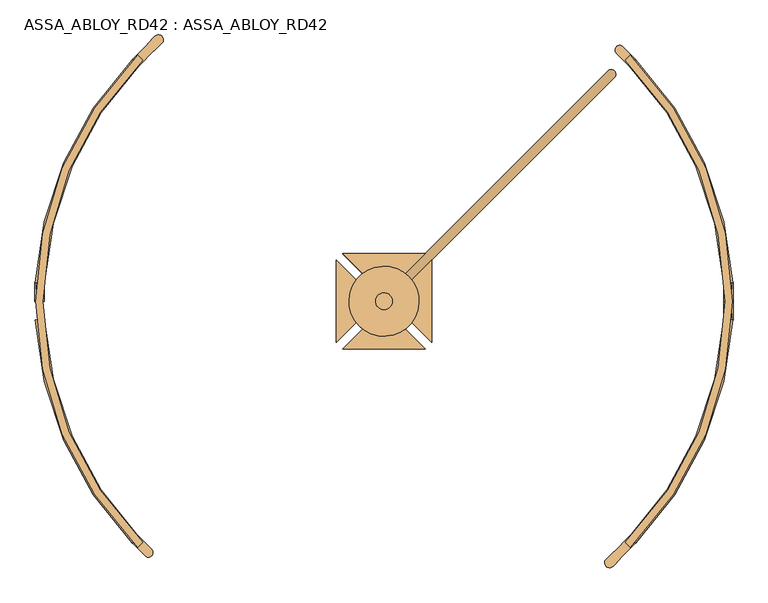
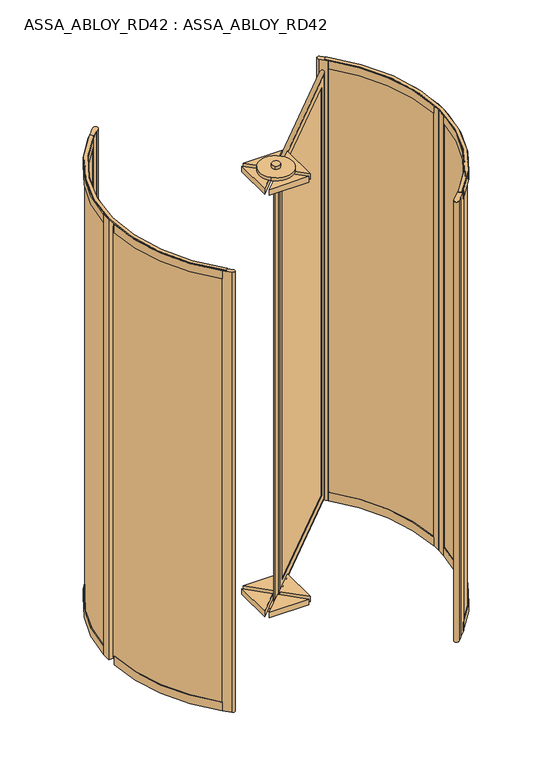
"""IFC4 building model written with IfcOpenShell, lengths in millimetres: door geometry, ASSA_ABLOY_RD42 : ASSA_ABLOY_RD42."""

from ifc_helpers import new_model, si_unit, point, frame, frame_2d, origin, origin_with_axes, place, context, project, spatial, polyline, circle_curve, ellipse_curve, trimmed, segment, composite_curve, outline, extrude, source, transform, mapped, element, save
from ifc_brep_helpers import plane_surface, cylinder_surface, revolved_surface, advanced_brep


def assa_abloy_rd42_assa_abloy_rd42_754d8c71(model_context):
    return source(origin(), model_context, "Body", "SolidModel", [
        advanced_brep(
        [(744.4255403, 605.2834047, 105.0), (746.5468607, 603.1620844, 105.0), (746.5468607, 603.1620844, 2673.0), (744.4255403, 605.2834047, 2673.0), (744.4255403, 633.5676759, 85.0), (758.5676759, 619.4255403, 85.0), (758.5676759, 619.4255403, 2693.0), (744.4255403, 633.5676759, 2693.0), (728.1620844, 621.5468607, 105.0), (730.2834047, 619.4255403, 105.0), (730.2834047, 619.4255403, 2673.0), (728.1620844, 621.5468607, 2673.0), (783.3164133, 639.931637, 53.0), (764.931637, 658.3164133, 53.0), (764.931637, 658.3164133, 2725.0), (783.3164133, 639.931637, 2725.0), (191.4680374, 48.0832611, 2673.0), (189.3467171, 50.2045815, 2673.0), (175.2045815, 36.0624458, 2693.0), (161.0624458, 50.2045815, 2693.0), (175.2045815, 64.3467171, 2673.0), (173.0832611, 66.4680374, 2673.0), (136.3137085, 29.6984848, 2725.0), (154.6984848, 11.3137085, 2725.0), (191.4680374, 48.0832611, 105.0), (189.3467171, 50.2045815, 105.0), (175.2045815, 36.0624458, 85.0), (161.0624458, 50.2045815, 85.0), (175.2045815, 64.3467171, 105.0), (173.0832611, 66.4680374, 105.0), (136.3137085, 29.6984848, 53.0), (154.6984848, 11.3137085, 53.0)],
        [
            (0, 1),
            (1, 2),
            (2, 3),
            (3, 0),
            (4, 5),
            (5, 6),
            (6, 7),
            (7, 4),
            (8, 9),
            (9, 10),
            (10, 11),
            (11, 8),
            (12, 13, ellipse_curve(frame((774.1240251, 649.1240251, 53.0), z_axis=(0.5000000000000073, 0.4999999999999926, 0.7071067811865475), x_axis=(0.4999999999999934, 0.5000000000000063, -0.7071067811865476)), 18.3847763, 13.0)),
            (13, 14),
            (14, 15, ellipse_curve(frame((774.1240251, 649.1240251, 2725.0), z_axis=(0.49999999999999345, 0.5000000000000064, -0.7071067811865475), x_axis=(-0.5000000000000072, -0.4999999999999925, -0.7071067811865476)), 18.3847763, 13.0)),
            (15, 12),
            (2, 16),
            (16, 17),
            (17, 3),
            (6, 18),
            (18, 19),
            (19, 7),
            (10, 20),
            (20, 21),
            (21, 11),
            (14, 22),
            (22, 23, ellipse_curve(frame((145.5060967, 20.5060967, 2725.0), z_axis=(0.5000000000000073, 0.4999999999999926, 0.7071067811865475), x_axis=(0.4999999999999936, 0.5000000000000066, -0.7071067811865475)), 18.3847763, 13.0)),
            (23, 15),
            (16, 24),
            (24, 25),
            (25, 17),
            (18, 26),
            (26, 27),
            (27, 19),
            (20, 28),
            (28, 29),
            (29, 21),
            (22, 30),
            (30, 31, ellipse_curve(frame((145.5060967, 20.5060967, 53.0), z_axis=(-0.49999999999999345, -0.5000000000000064, 0.7071067811865475), x_axis=(0.5000000000000072, 0.4999999999999925, 0.7071067811865476)), 18.3847763, 13.0)),
            (31, 23),
            (24, 1),
            (0, 25),
            (5, 26),
            (4, 27),
            (9, 28),
            (8, 29),
            (13, 30),
            (12, 31),
        ],
        [
            plane_surface(frame((746.5468607, 603.1620844, 105.0), z_axis=(-0.7071067811865499, -0.7071067811865451, 0.0), x_axis=(0.0, 0.0, 1.0))),
            plane_surface(frame((758.5676759, 619.4255403, 85.0), z_axis=(-0.7071067811865483, -0.7071067811865467, 0.0), x_axis=(0.0, 0.0, 1.0))),
            plane_surface(frame((730.2834047, 619.4255403, 105.0), z_axis=(-0.7071067811865499, -0.7071067811865451, 0.0), x_axis=(0.0, 0.0, 1.0))),
            cylinder_surface(frame((774.1240251, 649.1240251, 40.0), z_axis=(0.0, 0.0, -1.0), x_axis=(-0.7071067811865481, -0.7071067811865469, 0.0)), 13.0),
            plane_surface(frame((746.5468607, 603.1620844, 2673.0), z_axis=(0.0, 0.0, -1.0), x_axis=(-0.7071067811865481, -0.7071067811865469, 0.0))),
            plane_surface(frame((758.5676759, 619.4255403, 2693.0), z_axis=(0.0, 0.0, -1.0), x_axis=(-0.7071067811865481, -0.7071067811865469, 0.0))),
            plane_surface(frame((730.2834047, 619.4255403, 2673.0), z_axis=(0.0, 0.0, -1.0), x_axis=(-0.7071067811865481, -0.7071067811865469, 0.0))),
            cylinder_surface(frame((783.3164133, 658.3164133, 2725.0), z_axis=(0.7071067811865481, 0.7071067811865469, 0.0), x_axis=(0.0, 0.0, -1.0)), 13.0),
            plane_surface(frame((191.4680374, 48.0832611, 2673.0), z_axis=(0.7071067811865464, 0.7071067811865487, 0.0), x_axis=(0.0, 0.0, -1.0))),
            plane_surface(frame((175.2045815, 36.0624458, 2693.0), z_axis=(0.7071067811865479, 0.7071067811865471, 0.0), x_axis=(0.0, 0.0, -1.0))),
            plane_surface(frame((175.2045815, 64.3467171, 2673.0), z_axis=(0.7071067811865464, 0.7071067811865487, 0.0), x_axis=(0.0, 0.0, -1.0))),
            cylinder_surface(frame((145.5060967, 20.5060967, 2738.0), z_axis=(0.0, 0.0, 1.0), x_axis=(0.7071067811865481, 0.7071067811865469, 0.0)), 13.0),
            plane_surface(frame((191.4680374, 48.0832611, 105.0), z_axis=(0.0, 0.0, 1.0), x_axis=(0.7071067811865481, 0.7071067811865469, 0.0))),
            plane_surface(frame((189.3467171, 50.2045815, 105.0), z_axis=(-0.7071067811865469, 0.7071067811865481, 0.0), x_axis=(0.7071067811865481, 0.7071067811865469, 0.0))),
            plane_surface(frame((175.2045815, 36.0624458, 85.0), z_axis=(0.0, 0.0, 1.0), x_axis=(0.7071067811865481, 0.7071067811865469, 0.0))),
            plane_surface(frame((161.0624458, 50.2045815, 85.0), z_axis=(0.7071067811865469, -0.7071067811865481, 0.0), x_axis=(0.7071067811865481, 0.7071067811865469, 0.0))),
            plane_surface(frame((175.2045815, 64.3467171, 105.0), z_axis=(0.0, 0.0, 1.0), x_axis=(0.7071067811865481, 0.7071067811865469, 0.0))),
            plane_surface(frame((173.0832611, 66.4680374, 105.0), z_axis=(-0.7071067811865469, 0.7071067811865481, 0.0), x_axis=(0.7071067811865481, 0.7071067811865469, 0.0))),
            cylinder_surface(frame((136.3137085, 11.3137085, 53.0), z_axis=(-0.7071067811865481, -0.7071067811865469, 0.0), x_axis=(0.0, 0.0, 1.0)), 13.0),
            plane_surface(frame((154.6984848, 11.3137085, 53.0), z_axis=(0.7071067811865469, -0.7071067811865481, 0.0), x_axis=(0.7071067811865481, 0.7071067811865469, 0.0))),
        ],
        [
            (0, [[1, 2, 3, 4]]),
            (1, [[5, 6, 7, 8]]),
            (2, [[9, 10, 11, 12]]),
            (3, [[13, 14, 15, 16]]),
            (4, [[-3, 17, 18, 19]]),
            (5, [[-7, 20, 21, 22]]),
            (6, [[-11, 23, 24, 25]]),
            (7, [[-15, 26, 27, 28]]),
            (8, [[-18, 29, 30, 31]]),
            (9, [[-21, 32, 33, 34]]),
            (10, [[-24, 35, 36, 37]]),
            (11, [[-27, 38, 39, 40]]),
            (12, [[-30, 41, -1, 42]]),
            (13, [[43, -32, -20, -6], [-19, -31, -42, -4]]),
            (14, [[-33, -43, -5, 44]]),
            (15, [[-22, -34, -44, -8], [45, -35, -23, -10]]),
            (16, [[-36, -45, -9, 46]]),
            (17, [[47, -38, -26, -14], [-25, -37, -46, -12]]),
            (18, [[-39, -47, -13, 48]]),
            (19, [[-28, -40, -48, -16], [-41, -29, -17, -2]]),
        ],
    ),
        extrude(outline(polyline([(747.9610742, 630.032142), (755.032142, 622.9610742), (171.6690476, 39.5979797), (164.5979797, 46.6690476), (747.9610742, 630.032142)])), frame((0.0, 0.0, 85.0), z_axis=(0.0, 0.0, 1.0), x_axis=(1.0, 0.0, 0.0)), (0.0, 0.0, 1.0), 2608.0),
        extrude(outline(composite_curve([segment(trimmed(circle_curve(frame_2d((125.0, 0.0)), 24.0), [point((108.0294373, -16.9705627))], [point((141.9705627, 16.9705627))], False, "CARTESIAN"), True, "CONTINUOUS"), segment(trimmed(circle_curve(frame_2d((125.0, 0.0)), 24.0), [point((141.9705627, 16.9705627))], [point((108.0294373, -16.9705627))], False, "CARTESIAN"), True, "CONTINUOUS")], self_intersect=False)), origin_with_axes(), (0.0, 0.0, 1.0), 20.0),
        extrude(outline(composite_curve([segment(trimmed(circle_curve(frame_2d((125.0, 0.0)), 100.0), [point((54.2893219, -70.7106781))], [point((195.7106781, 70.7106781))], False, "CARTESIAN"), True, "CONTINUOUS"), segment(trimmed(circle_curve(frame_2d((125.0, 0.0)), 100.0), [point((195.7106781, 70.7106781))], [point((54.2893219, -70.7106781))], False, "CARTESIAN"), True, "CONTINUOUS")], self_intersect=False)), frame((0.0, 0.0, 20.0), z_axis=(0.0, 0.0, 1.0), x_axis=(1.0, 0.0, 0.0)), (0.0, 0.0, 1.0), 20.0),
        extrude(outline(composite_curve([segment(trimmed(circle_curve(frame_2d((125.0, 0.0)), 24.0), [point((141.9705627, 16.9705627))], [point((108.0294373, -16.9705627))], False, "CARTESIAN"), True, "CONTINUOUS"), segment(trimmed(circle_curve(frame_2d((125.0, 0.0)), 24.0), [point((108.0294373, -16.9705627))], [point((141.9705627, 16.9705627))], False, "CARTESIAN"), True, "CONTINUOUS")], self_intersect=False)), frame((0.0, 0.0, 2758.0), z_axis=(0.0, 0.0, 1.0), x_axis=(1.0, 0.0, 0.0)), (0.0, 0.0, 1.0), 20.0),
        extrude(outline(composite_curve([segment(trimmed(circle_curve(frame_2d((125.0, 0.0)), 100.0), [point((195.7106781, 70.7106781))], [point((54.2893219, -70.7106781))], False, "CARTESIAN"), True, "CONTINUOUS"), segment(trimmed(circle_curve(frame_2d((125.0, 0.0)), 100.0), [point((54.2893219, -70.7106781))], [point((195.7106781, 70.7106781))], False, "CARTESIAN"), True, "CONTINUOUS")], self_intersect=False)), frame((0.0, 0.0, 2738.0), z_axis=(0.0, 0.0, 1.0), x_axis=(1.0, 0.0, 0.0)), (0.0, 0.0, 1.0), 20.0),
        extrude(outline(composite_curve([segment(trimmed(circle_curve(frame_2d((125.0, 0.0)), 12.5), [point((116.1611652, -8.8388348))], [point((133.8388348, 8.8388348))], False, "CARTESIAN"), True, "CONTINUOUS"), segment(trimmed(circle_curve(frame_2d((125.0, 0.0)), 12.5), [point((133.8388348, 8.8388348))], [point((116.1611652, -8.8388348))], False, "CARTESIAN"), True, "CONTINUOUS")], self_intersect=False)), origin_with_axes(), (0.0, 0.0, 1.0), 2723.0),
        extrude(outline(polyline([(-11.0, 117.6152237), (106.6152237, 0.0), (-11.0, -117.6152237), (-11.0, 117.6152237)])), frame((0.0, 0.0, 2703.0), z_axis=(0.0, 0.0, 1.0), x_axis=(1.0, 0.0, 0.0)), (0.0, 0.0, 1.0), 35.0),
        extrude(outline(polyline([(7.3847763, -136.0), (125.0, -18.3847763), (242.6152237, -136.0), (7.3847763, -136.0)])), frame((0.0, 0.0, 2703.0), z_axis=(0.0, 0.0, 1.0), x_axis=(1.0, 0.0, 0.0)), (0.0, 0.0, 1.0), 35.0),
        extrude(outline(polyline([(261.0, -117.6152237), (143.3847763, 0.0), (261.0, 117.6152237), (261.0, -117.6152237)])), frame((0.0, 0.0, 2703.0), z_axis=(0.0, 0.0, 1.0), x_axis=(1.0, 0.0, 0.0)), (0.0, 0.0, 1.0), 35.0),
        extrude(outline(polyline([(242.6152237, 136.0), (125.0, 18.3847763), (7.3847763, 136.0), (242.6152237, 136.0)])), frame((0.0, 0.0, 2703.0), z_axis=(0.0, 0.0, 1.0), x_axis=(1.0, 0.0, 0.0)), (0.0, 0.0, 1.0), 35.0),
        extrude(outline(polyline([(-11.0, 117.6152237), (106.6152237, 0.0), (-11.0, -117.6152237), (-11.0, 117.6152237)])), frame((0.0, 0.0, 40.0), z_axis=(0.0, 0.0, 1.0), x_axis=(1.0, 0.0, 0.0)), (0.0, 0.0, 1.0), 35.0),
        extrude(outline(polyline([(7.3847763, -136.0), (125.0, -18.3847763), (242.6152237, -136.0), (7.3847763, -136.0)])), frame((0.0, 0.0, 40.0), z_axis=(0.0, 0.0, 1.0), x_axis=(1.0, 0.0, 0.0)), (0.0, 0.0, 1.0), 35.0),
        extrude(outline(polyline([(261.0, -117.6152237), (143.3847763, 0.0), (261.0, 117.6152237), (261.0, -117.6152237)])), frame((0.0, 0.0, 40.0), z_axis=(0.0, 0.0, 1.0), x_axis=(1.0, 0.0, 0.0)), (0.0, 0.0, 1.0), 35.0),
        extrude(outline(polyline([(242.6152237, 136.0), (125.0, 18.3847763), (7.3847763, 136.0), (242.6152237, 136.0)])), frame((0.0, 0.0, 40.0), z_axis=(0.0, 0.0, 1.0), x_axis=(1.0, 0.0, 0.0)), (0.0, 0.0, 1.0), 35.0),
        extrude(outline(composite_curve([segment(trimmed(circle_curve(frame_2d((125.0, 0.0)), 974.0), [point((-563.7220049, 688.7220049))], [point((-563.7220049, -688.7220049))], True, "CARTESIAN"), True, "CONTINUOUS"), segment(polyline([(-563.7220049, -688.7220049), (-577.8641405, -702.8641405)]), True, "CONTINUOUS"), segment(trimmed(circle_curve(frame_2d((125.0, 0.0)), 994.0), [point((-577.8641405, -702.8641405))], [point((-577.8641405, 702.8641405))], False, "CARTESIAN"), True, "CONTINUOUS"), segment(polyline([(-577.8641405, 702.8641405), (-563.7220049, 688.7220049)]), True, "CONTINUOUS")], self_intersect=False)), frame((0.0, 0.0, 2773.0), z_axis=(0.0, 0.0, 1.0), x_axis=(1.0, 0.0, 0.0)), (0.0, 0.0, 1.0), 5.0),
        extrude(outline(composite_curve([segment(trimmed(circle_curve(frame_2d((125.0, 0.0)), 994.0), [point((827.8641405, 702.8641405))], [point((827.8641405, -702.8641405))], False, "CARTESIAN"), True, "CONTINUOUS"), segment(polyline([(827.8641405, -702.8641405), (813.7220049, -688.7220049)]), True, "CONTINUOUS"), segment(trimmed(circle_curve(frame_2d((125.0, 0.0)), 974.0), [point((813.7220049, -688.7220049))], [point((813.7220049, 688.7220049))], True, "CARTESIAN"), True, "CONTINUOUS"), segment(polyline([(813.7220049, 688.7220049), (827.8641405, 702.8641405)]), True, "CONTINUOUS")], self_intersect=False)), frame((0.0, 0.0, 2773.0), z_axis=(0.0, 0.0, 1.0), x_axis=(1.0, 0.0, 0.0)), (0.0, 0.0, 1.0), 5.0),
        extrude(outline(composite_curve([segment(trimmed(circle_curve(frame_2d((125.0, 0.0)), 989.0), [point((824.3286066, 699.3286066))], [point((1113.4436781, 33.1676829))], False, "CARTESIAN"), True, "CONTINUOUS"), segment(polyline([(1113.4436781, 33.1676829), (1103.4493032, 32.8323171)]), True, "CONTINUOUS"), segment(trimmed(circle_curve(frame_2d((125.0, 0.0)), 979.0), [point((1103.4493032, 32.8323171))], [point((817.2575388, 692.2575388))], True, "CARTESIAN"), True, "CONTINUOUS"), segment(polyline([(817.2575388, 692.2575388), (824.3286066, 699.3286066)]), True, "CONTINUOUS")], self_intersect=False)), frame((0.0, 0.0, 33.0), z_axis=(0.0, 0.0, 1.0), x_axis=(1.0, 0.0, 0.0)), (0.0, 0.0, 1.0), 2715.0),
        extrude(outline(composite_curve([segment(trimmed(circle_curve(frame_2d((125.0, 0.0)), 989.0), [point((1113.4436781, -33.1676829))], [point((824.3286066, -699.3286066))], False, "CARTESIAN"), True, "CONTINUOUS"), segment(polyline([(824.3286066, -699.3286066), (817.2575388, -692.2575388)]), True, "CONTINUOUS"), segment(trimmed(circle_curve(frame_2d((125.0, 0.0)), 979.0), [point((817.2575388, -692.2575388))], [point((1103.4493032, -32.8323171))], True, "CARTESIAN"), True, "CONTINUOUS"), segment(polyline([(1103.4493032, -32.8323171), (1113.4436781, -33.1676829)]), True, "CONTINUOUS")], self_intersect=False)), frame((0.0, 0.0, 33.0), z_axis=(0.0, 0.0, 1.0), x_axis=(1.0, 0.0, 0.0)), (0.0, 0.0, 1.0), 2715.0),
        extrude(outline(composite_curve([segment(polyline([(827.863883, -702.863883), (842.0060186, -688.7217474), (844.1270815, -690.8428103), (799.5793543, -735.3905375), (800.2864632, -736.0976464), (779.0719672, -757.3121425)]), True, "CONTINUOUS"), segment(trimmed(circle_curve(frame_2d((769.1727276, -747.4129028)), 13.9996389), [point((779.0719672, -757.3121425))], [point((759.273488, -737.5136632))], False, "CARTESIAN"), True, "CONTINUOUS"), segment(polyline([(759.273488, -737.5136632), (780.487984, -716.2991672), (781.1950929, -717.0062761), (825.7428202, -672.4585489), (827.863883, -674.5796118), (813.7217474, -688.7217474), (827.863883, -702.863883)]), True, "CONTINUOUS")], self_intersect=False)), origin_with_axes(), (0.0, 0.0, 1.0), 2773.0),
        extrude(outline(composite_curve([segment(polyline([(827.863883, 702.863883), (813.7217474, 688.7217474), (827.863883, 674.5796118), (825.7428202, 672.4585489), (788.9730099, 709.2283592)]), True, "CONTINUOUS"), segment(trimmed(circle_curve(frame_2d((798.1651406, 718.4204898)), 12.9996359), [point((788.9730099, 709.2283592))], [point((807.3572713, 727.6126205))], False, "CARTESIAN"), True, "CONTINUOUS"), segment(polyline([(807.3572713, 727.6126205), (844.1270815, 690.8428103), (842.0060186, 688.7217474), (827.863883, 702.863883)]), True, "CONTINUOUS")], self_intersect=False)), origin_with_axes(), (0.0, 0.0, 1.0), 2773.0),
        advanced_brep(
        [(825.2358565, 672.6891892, 0.0), (825.2358565, 672.6891892, 53.0), (827.3993041, 674.7675286, 53.0), (827.3993041, 674.7675286, 33.0), (841.8222877, 688.6231246, 33.0), (841.8222877, 688.6231246, 53.0), (843.9857353, 690.701464, 53.0), (843.9857353, 690.701464, 0.0), (1094.6270403, 51.6178536, 0.0), (1120.5902772, 53.0, 0.0), (1120.5902772, 53.0, 53.0), (1117.5945191, 52.8405216, 53.0), (1117.5945191, 52.8405216, 33.0), (1097.6227984, 51.777332, 33.0), (1097.6227984, 51.777332, 53.0), (1094.6270403, 51.6178536, 53.0)],
        [
            (0, 1),
            (1, 2),
            (2, 3),
            (3, 4),
            (4, 5),
            (5, 6),
            (6, 7),
            (7, 0),
            (8, 9),
            (9, 10),
            (10, 11),
            (11, 12),
            (12, 13),
            (13, 14),
            (14, 15),
            (15, 8),
            (15, 1, circle_curve(frame((125.0, 0.0, 53.0), z_axis=(0.0, 0.0, 1.0), x_axis=(0.7211491828452432, 0.6927798034596837, 0.0)), 971.0)),
            (0, 8, circle_curve(frame((125.0, 0.0, 0.0), z_axis=(0.0, 0.0, -1.0), x_axis=(0.7211491828452432, 0.6927798034596837, 0.0)), 971.0)),
            (14, 2, circle_curve(frame((125.0, 0.0, 53.0), z_axis=(0.0, 0.0, 1.0), x_axis=(0.7211491828452432, 0.6927798034596837, 0.0)), 974.0)),
            (13, 3, circle_curve(frame((125.0, 0.0, 33.0), z_axis=(0.0, 0.0, 1.0), x_axis=(0.7211491828452432, 0.6927798034596837, 0.0)), 974.0)),
            (12, 4, circle_curve(frame((125.0, 0.0, 33.0), z_axis=(0.0, 0.0, 1.0), x_axis=(0.7211491828452432, 0.6927798034596837, 0.0)), 994.0)),
            (11, 5, circle_curve(frame((125.0, 0.0, 53.0), z_axis=(0.0, 0.0, 1.0), x_axis=(0.7211491828452432, 0.6927798034596837, 0.0)), 994.0)),
            (10, 6, circle_curve(frame((125.0, 0.0, 53.0), z_axis=(0.0, 0.0, 1.0), x_axis=(0.7211491828452432, 0.6927798034596837, 0.0)), 997.0)),
            (9, 7, circle_curve(frame((125.0, 0.0, 0.0), z_axis=(0.0, 0.0, 1.0), x_axis=(0.7211491828452432, 0.6927798034596837, 0.0)), 997.0)),
        ],
        [
            plane_surface(frame((843.9857353, 690.701464, 0.0), z_axis=(-0.6927798034596837, 0.7211491828452432, 0.0), x_axis=(0.0, 0.0, 1.0))),
            plane_surface(frame((1120.5902772, 53.0, 0.0), z_axis=(0.053159478435430674, -0.9985860352781193, 0.0), x_axis=(0.0, 0.0, 1.0))),
            revolved_surface(polyline([(825.2358565427312, 672.6891891593528, 0.0), (825.2358565427312, 672.6891891593528, 53.0)]), (125.0, 0.0, 0.0), (0.0, 0.0, -1.0)),
            plane_surface(frame((125.0, 0.0, 53.0), z_axis=(0.0, 0.0, 1.0), x_axis=(0.7211491828452432, 0.6927798034596837, 0.0))),
            cylinder_surface(frame((125.0, 0.0, 0.0), z_axis=(0.0, 0.0, -1.0), x_axis=(0.7211491828452432, 0.6927798034596837, 0.0)), 974.0),
            plane_surface(frame((125.0, 0.0, 33.0), z_axis=(0.0, 0.0, 1.0), x_axis=(0.7211491828452432, 0.6927798034596837, 0.0))),
            revolved_surface(polyline([(841.8222877481718, 688.6231246389256, 33.0), (841.8222877481718, 688.6231246389256, 53.0)]), (125.0, 0.0, 0.0), (0.0, 0.0, -1.0)),
            cylinder_surface(frame((125.0, 0.0, 0.0), z_axis=(0.0, 0.0, -1.0), x_axis=(0.7211491828452432, 0.6927798034596837, 0.0)), 997.0),
            plane_surface(frame((125.0, 0.0, 0.0), z_axis=(0.0, 0.0, -1.0), x_axis=(0.7211491828452432, 0.6927798034596837, 0.0))),
        ],
        [
            (0, [[1, 2, 3, 4, 5, 6, 7, 8]]),
            (1, [[9, 10, 11, 12, 13, 14, 15, 16]]),
            (2, [[17, -1, 18, -16]]),
            (3, [[19, -2, -17, -15]]),
            (4, [[20, -3, -19, -14]]),
            (5, [[21, -4, -20, -13]]),
            (6, [[22, -5, -21, -12]]),
            (3, [[23, -6, -22, -11]]),
            (7, [[24, -7, -23, -10]]),
            (8, [[-18, -8, -24, -9]]),
        ],
    ),
        advanced_brep(
        [(1094.6270403, 51.6178536, 2773.0), (1094.6270403, 51.6178536, 2723.0), (1097.6227984, 51.777332, 2723.0), (1097.6227984, 51.777332, 2743.0), (1117.5945191, 52.8405216, 2743.0), (1117.5945191, 52.8405216, 2723.0), (1120.5902772, 53.0, 2723.0), (1120.5902772, 53.0, 2773.0), (825.2358565, 672.6891892, 2773.0), (843.9857353, 690.701464, 2773.0), (843.9857353, 690.701464, 2723.0), (841.8222877, 688.6231246, 2723.0), (841.8222877, 688.6231246, 2743.0), (827.3993041, 674.7675286, 2743.0), (827.3993041, 674.7675286, 2723.0), (825.2358565, 672.6891892, 2723.0)],
        [
            (0, 1),
            (1, 2),
            (2, 3),
            (3, 4),
            (4, 5),
            (5, 6),
            (6, 7),
            (7, 0),
            (8, 9),
            (9, 10),
            (10, 11),
            (11, 12),
            (12, 13),
            (13, 14),
            (14, 15),
            (15, 8),
            (15, 1, circle_curve(frame((125.0, 0.0, 2723.0), z_axis=(0.0, 0.0, -1.0), x_axis=(0.9985860352779962, 0.053159478437741485, 0.0)), 971.0)),
            (0, 8, circle_curve(frame((125.0, 0.0, 2773.0), z_axis=(0.0, 0.0, 1.0), x_axis=(0.9985860352779962, 0.053159478437741485, 0.0)), 971.0)),
            (14, 2, circle_curve(frame((125.0, 0.0, 2723.0), z_axis=(0.0, 0.0, -1.0), x_axis=(0.9985860352779962, 0.053159478437741485, 0.0)), 974.0)),
            (9, 7, circle_curve(frame((125.0, 0.0, 2773.0), z_axis=(0.0, 0.0, -1.0), x_axis=(0.9985860352779962, 0.053159478437741485, 0.0)), 997.0)),
            (6, 10, circle_curve(frame((125.0, 0.0, 2723.0), z_axis=(0.0, 0.0, 1.0), x_axis=(0.9985860352779962, 0.053159478437741485, 0.0)), 997.0)),
            (13, 3, circle_curve(frame((125.0, 0.0, 2743.0), z_axis=(0.0, 0.0, -1.0), x_axis=(0.9985860352779962, 0.053159478437741485, 0.0)), 974.0)),
            (12, 4, circle_curve(frame((125.0, 0.0, 2743.0), z_axis=(0.0, 0.0, -1.0), x_axis=(0.9985860352779962, 0.053159478437741485, 0.0)), 994.0)),
            (11, 5, circle_curve(frame((125.0, 0.0, 2723.0), z_axis=(0.0, 0.0, -1.0), x_axis=(0.9985860352779962, 0.053159478437741485, 0.0)), 994.0)),
        ],
        [
            plane_surface(frame((1120.5902772, 53.0, 2773.0), z_axis=(0.05315947843774149, -0.9985860352779962, 0.0), x_axis=(0.0, 0.0, 1.0))),
            plane_surface(frame((843.9857353, 690.701464, 2773.0), z_axis=(-0.692779803459834, 0.7211491828450988, 0.0), x_axis=(0.0, 0.0, 1.0))),
            revolved_surface(polyline([(1094.6270402549344, 51.617853563046985, 2773.0), (1094.6270402549344, 51.617853563046985, 2723.0)]), (125.0, 0.0, 2773.0), (0.0, 0.0, 1.0)),
            plane_surface(frame((125.0, 0.0, 2723.0), z_axis=(0.0, 0.0, -1.0000000000000002), x_axis=(0.9985860352779962, 0.053159478437741485, 0.0))),
            cylinder_surface(frame((125.0, 0.0, 2773.0), z_axis=(0.0, 0.0, 1.0), x_axis=(0.9985860352779962, 0.053159478437741485, 0.0)), 997.0),
            plane_surface(frame((125.0, 0.0, 2773.0), z_axis=(0.0, 0.0, 1.0000000000000002), x_axis=(0.9985860352779962, 0.053159478437741485, 0.0))),
            cylinder_surface(frame((125.0, 0.0, 2773.0), z_axis=(0.0, 0.0, 1.0), x_axis=(0.9985860352779962, 0.053159478437741485, 0.0)), 974.0),
            plane_surface(frame((125.0, 0.0, 2743.0), z_axis=(0.0, 0.0, -1.0000000000000002), x_axis=(0.9985860352779962, 0.053159478437741485, 0.0))),
            revolved_surface(polyline([(1117.5945190663283, 52.84052156711503, 2743.0), (1117.5945190663283, 52.84052156711503, 2723.0)]), (125.0, 0.0, 2773.0), (0.0, 0.0, 1.0)),
        ],
        [
            (0, [[1, 2, 3, 4, 5, 6, 7, 8]]),
            (1, [[9, 10, 11, 12, 13, 14, 15, 16]]),
            (2, [[17, -1, 18, -16]]),
            (3, [[19, -2, -17, -15]]),
            (4, [[20, -7, 21, -10]]),
            (5, [[-18, -8, -20, -9]]),
            (6, [[22, -3, -19, -14]]),
            (7, [[23, -4, -22, -13]]),
            (8, [[24, -5, -23, -12]]),
            (3, [[-21, -6, -24, -11]]),
        ],
    ),
        extrude(outline(polyline([(1122.0, 0.0), (1096.0, 0.0), (1096.0, 53.0), (1099.0, 53.0), (1099.0, 33.0), (1119.0, 33.0), (1119.0, 53.0), (1122.0, 53.0), (1122.0, 0.0)])), origin_with_axes(), (0.0, 0.0, 1.0), 2773.0),
        advanced_brep(
        [(825.2358565, -672.6891892, 0.0), (843.9857353, -690.701464, 0.0), (843.9857353, -690.701464, 53.0), (841.8222877, -688.6231246, 53.0), (841.8222877, -688.6231246, 33.0), (827.3993041, -674.7675286, 33.0), (827.3993041, -674.7675286, 53.0), (825.2358565, -672.6891892, 53.0), (1094.6270403, -51.6178536, 0.0), (1094.6270403, -51.6178536, 53.0), (1097.6227984, -51.777332, 53.0), (1097.6227984, -51.777332, 33.0), (1117.5945191, -52.8405216, 33.0), (1117.5945191, -52.8405216, 53.0), (1120.5902772, -53.0, 53.0), (1120.5902772, -53.0, 0.0)],
        [
            (0, 1),
            (1, 2),
            (2, 3),
            (3, 4),
            (4, 5),
            (5, 6),
            (6, 7),
            (7, 0),
            (8, 9),
            (9, 10),
            (10, 11),
            (11, 12),
            (12, 13),
            (13, 14),
            (14, 15),
            (15, 8),
            (8, 0, circle_curve(frame((125.0, 0.0, 0.0), z_axis=(0.0, 0.0, -1.0), x_axis=(0.7211491828451337, -0.6927798034597976, 0.0)), 971.0)),
            (7, 9, circle_curve(frame((125.0, 0.0, 53.0), z_axis=(0.0, 0.0, 1.0), x_axis=(0.7211491828451337, -0.6927798034597976, 0.0)), 971.0)),
            (6, 10, circle_curve(frame((125.0, 0.0, 53.0), z_axis=(0.0, 0.0, 1.0), x_axis=(0.7211491828451337, -0.6927798034597976, 0.0)), 974.0)),
            (5, 11, circle_curve(frame((125.0, 0.0, 33.0), z_axis=(0.0, 0.0, 1.0), x_axis=(0.7211491828451337, -0.6927798034597976, 0.0)), 974.0)),
            (4, 12, circle_curve(frame((125.0, 0.0, 33.0), z_axis=(0.0, 0.0, 1.0), x_axis=(0.7211491828451337, -0.6927798034597976, 0.0)), 994.0)),
            (3, 13, circle_curve(frame((125.0, 0.0, 53.0), z_axis=(0.0, 0.0, 1.0), x_axis=(0.7211491828451337, -0.6927798034597976, 0.0)), 994.0)),
            (2, 14, circle_curve(frame((125.0, 0.0, 53.0), z_axis=(0.0, 0.0, 1.0), x_axis=(0.7211491828451337, -0.6927798034597976, 0.0)), 997.0)),
            (1, 15, circle_curve(frame((125.0, 0.0, 0.0), z_axis=(0.0, 0.0, 1.0), x_axis=(0.7211491828451337, -0.6927798034597976, 0.0)), 997.0)),
        ],
        [
            plane_surface(frame((843.9857353, -690.701464, 0.0), z_axis=(-0.6927798034597977, -0.7211491828451339, 0.0), x_axis=(0.0, 0.0, 1.0))),
            plane_surface(frame((1120.5902772, -53.0, 0.0), z_axis=(0.053159478435759744, 0.9985860352781017, 0.0), x_axis=(0.0, 0.0, 1.0))),
            revolved_surface(polyline([(825.2358565426249, -672.6891891594635, 53.0), (825.2358565426249, -672.6891891594635, 0.0)]), (125.0, 0.0, 0.0), (0.0, 0.0, 1.0)),
            plane_surface(frame((125.0, 0.0, 53.0), z_axis=(0.0, 0.0, 1.0000000000000002), x_axis=(0.7211491828451339, -0.6927798034597977, 0.0))),
            cylinder_surface(frame((125.0, 0.0, 0.0), z_axis=(0.0, 0.0, 1.0), x_axis=(0.7211491828451337, -0.6927798034597976, 0.0)), 974.0),
            plane_surface(frame((125.0, 0.0, 33.0), z_axis=(0.0, 0.0, 1.0000000000000002), x_axis=(0.7211491828451339, -0.6927798034597977, 0.0))),
            revolved_surface(polyline([(841.822287748063, -688.6231246390388, 53.0), (841.822287748063, -688.6231246390388, 33.0)]), (125.0, 0.0, 0.0), (0.0, 0.0, 1.0)),
            cylinder_surface(frame((125.0, 0.0, 0.0), z_axis=(0.0, 0.0, 1.0), x_axis=(0.7211491828451337, -0.6927798034597976, 0.0)), 997.0),
            plane_surface(frame((125.0, 0.0, 0.0), z_axis=(0.0, 0.0, -1.0000000000000002), x_axis=(0.7211491828451339, -0.6927798034597977, 0.0))),
        ],
        [
            (0, [[1, 2, 3, 4, 5, 6, 7, 8]]),
            (1, [[9, 10, 11, 12, 13, 14, 15, 16]]),
            (2, [[17, -8, 18, -9]]),
            (3, [[-18, -7, 19, -10]]),
            (4, [[-19, -6, 20, -11]]),
            (5, [[-20, -5, 21, -12]]),
            (6, [[-21, -4, 22, -13]]),
            (3, [[-22, -3, 23, -14]]),
            (7, [[-23, -2, 24, -15]]),
            (8, [[-24, -1, -17, -16]]),
        ],
    ),
        advanced_brep(
        [(1094.6270403, -51.6178536, 2773.0), (1120.5902772, -53.0, 2773.0), (1120.5902772, -53.0, 2723.0), (1117.5945191, -52.8405216, 2723.0), (1117.5945191, -52.8405216, 2743.0), (1097.6227984, -51.777332, 2743.0), (1097.6227984, -51.777332, 2723.0), (1094.6270403, -51.6178536, 2723.0), (825.2358565, -672.6891892, 2773.0), (825.2358565, -672.6891892, 2723.0), (827.3993041, -674.7675286, 2723.0), (827.3993041, -674.7675286, 2743.0), (841.8222877, -688.6231246, 2743.0), (841.8222877, -688.6231246, 2723.0), (843.9857353, -690.7014641, 2723.0), (843.9857353, -690.7014641, 2773.0)],
        [
            (0, 1),
            (1, 2),
            (2, 3),
            (3, 4),
            (4, 5),
            (5, 6),
            (6, 7),
            (7, 0),
            (8, 9),
            (9, 10),
            (10, 11),
            (11, 12),
            (12, 13),
            (13, 14),
            (14, 15),
            (15, 8),
            (8, 0, circle_curve(frame((125.0, 0.0, 2773.0), z_axis=(0.0, 0.0, 1.0), x_axis=(0.9985860352782786, -0.05315947843243415, 0.0)), 971.0)),
            (7, 9, circle_curve(frame((125.0, 0.0, 2723.0), z_axis=(0.0, 0.0, -1.0), x_axis=(0.9985860352782786, -0.05315947843243415, 0.0)), 971.0)),
            (6, 10, circle_curve(frame((125.0, 0.0, 2723.0), z_axis=(0.0, 0.0, -1.0), x_axis=(0.9985860352782786, -0.05315947843243415, 0.0)), 974.0)),
            (14, 2, circle_curve(frame((125.0, 0.0, 2723.0), z_axis=(0.0, 0.0, 1.0), x_axis=(0.9985860352782786, -0.05315947843243415, 0.0)), 997.0)),
            (1, 15, circle_curve(frame((125.0, 0.0, 2773.0), z_axis=(0.0, 0.0, -1.0), x_axis=(0.9985860352782786, -0.05315947843243415, 0.0)), 997.0)),
            (5, 11, circle_curve(frame((125.0, 0.0, 2743.0), z_axis=(0.0, 0.0, -1.0), x_axis=(0.9985860352782786, -0.05315947843243415, 0.0)), 974.0)),
            (4, 12, circle_curve(frame((125.0, 0.0, 2743.0), z_axis=(0.0, 0.0, -1.0), x_axis=(0.9985860352782786, -0.05315947843243415, 0.0)), 994.0)),
            (3, 13, circle_curve(frame((125.0, 0.0, 2723.0), z_axis=(0.0, 0.0, -1.0), x_axis=(0.9985860352782786, -0.05315947843243415, 0.0)), 994.0)),
        ],
        [
            plane_surface(frame((1120.5902772, -53.0, 2773.0), z_axis=(0.053159478432434126, 0.9985860352782787, 0.0), x_axis=(0.0, 0.0, 1.0))),
            plane_surface(frame((843.9857353, -690.7014641, 2773.0), z_axis=(-0.6927798034572433, -0.7211491828475877, 0.0), x_axis=(0.0, 0.0, 1.0))),
            revolved_surface(polyline([(1094.6270402552086, -51.617853557893554, 2723.0), (1094.6270402552086, -51.617853557893554, 2773.0)]), (125.0, 0.0, 2773.0), (0.0, 0.0, -1.0)),
            plane_surface(frame((125.0, 0.0, 2723.0), z_axis=(0.0, 0.0, -1.0), x_axis=(0.9985860352782787, -0.053159478432434154, 0.0))),
            cylinder_surface(frame((125.0, 0.0, 2773.0), z_axis=(0.0, 0.0, -1.0), x_axis=(0.9985860352782786, -0.05315947843243415, 0.0)), 997.0),
            plane_surface(frame((125.0, 0.0, 2773.0), z_axis=(0.0, 0.0, 1.0), x_axis=(0.9985860352782787, -0.053159478432434154, 0.0))),
            cylinder_surface(frame((125.0, 0.0, 2773.0), z_axis=(0.0, 0.0, -1.0), x_axis=(0.9985860352782786, -0.05315947843243415, 0.0)), 974.0),
            plane_surface(frame((125.0, 0.0, 2743.0), z_axis=(0.0, 0.0, -1.0), x_axis=(0.9985860352782787, -0.053159478432434154, 0.0))),
            revolved_surface(polyline([(1117.5945190666089, -52.840521561839545, 2723.0), (1117.5945190666089, -52.840521561839545, 2743.0)]), (125.0, 0.0, 2773.0), (0.0, 0.0, -1.0)),
        ],
        [
            (0, [[1, 2, 3, 4, 5, 6, 7, 8]]),
            (1, [[9, 10, 11, 12, 13, 14, 15, 16]]),
            (2, [[17, -8, 18, -9]]),
            (3, [[-18, -7, 19, -10]]),
            (4, [[20, -2, 21, -15]]),
            (5, [[-21, -1, -17, -16]]),
            (6, [[-19, -6, 22, -11]]),
            (7, [[-22, -5, 23, -12]]),
            (8, [[-23, -4, 24, -13]]),
            (3, [[-24, -3, -20, -14]]),
        ],
    ),
        extrude(outline(polyline([(1122.0, 0.0), (1122.0, -53.0), (1119.0, -53.0), (1119.0, -33.0), (1099.0, -33.0), (1099.0, -53.0), (1096.0, -53.0), (1096.0, 0.0), (1122.0, 0.0)])), origin_with_axes(), (0.0, 0.0, 1.0), 2773.0),
        extrude(outline(composite_curve([segment(trimmed(circle_curve(frame_2d((125.0, 0.0)), 979.0), [point((-567.2575388, 692.2575388))], [point((-853.4493032, 32.8323171))], True, "CARTESIAN"), True, "CONTINUOUS"), segment(polyline([(-853.4493032, 32.8323171), (-863.4436781, 33.1676829)]), True, "CONTINUOUS"), segment(trimmed(circle_curve(frame_2d((125.0, 0.0)), 989.0), [point((-863.4436781, 33.1676829))], [point((-574.3286066, 699.3286066))], False, "CARTESIAN"), True, "CONTINUOUS"), segment(polyline([(-574.3286066, 699.3286066), (-567.2575388, 692.2575388)]), True, "CONTINUOUS")], self_intersect=False)), frame((0.0, 0.0, 33.0), z_axis=(0.0, 0.0, 1.0), x_axis=(1.0, 0.0, 0.0)), (0.0, 0.0, 1.0), 2715.0),
        advanced_brep(
        [(-575.2358565, 672.6891892, 0.0), (-593.9857353, 690.701464, 0.0), (-593.9857353, 690.701464, 53.0), (-591.8222877, 688.6231246, 53.0), (-591.8222877, 688.6231246, 33.0), (-577.3993041, 674.7675286, 33.0), (-577.3993041, 674.7675286, 53.0), (-575.2358565, 672.6891892, 53.0), (-844.6270403, 51.6178536, 0.0), (-844.6270403, 51.6178536, 53.0), (-847.6227984, 51.777332, 53.0), (-847.6227984, 51.777332, 33.0), (-867.5945191, 52.8405216, 33.0), (-867.5945191, 52.8405216, 53.0), (-870.5902772, 53.0, 53.0), (-870.5902772, 53.0, 0.0)],
        [
            (0, 1),
            (1, 2),
            (2, 3),
            (3, 4),
            (4, 5),
            (5, 6),
            (6, 7),
            (7, 0),
            (8, 9),
            (9, 10),
            (10, 11),
            (11, 12),
            (12, 13),
            (13, 14),
            (14, 15),
            (15, 8),
            (8, 0, circle_curve(frame((125.0, 0.0, 0.0), z_axis=(0.0, 0.0, -1.0), x_axis=(-0.7211491828453972, 0.6927798034595233, 0.0)), 971.0)),
            (7, 9, circle_curve(frame((125.0, 0.0, 53.0), z_axis=(0.0, 0.0, 1.0), x_axis=(-0.7211491828453972, 0.6927798034595233, 0.0)), 971.0)),
            (6, 10, circle_curve(frame((125.0, 0.0, 53.0), z_axis=(0.0, 0.0, 1.0), x_axis=(-0.7211491828453972, 0.6927798034595233, 0.0)), 974.0)),
            (5, 11, circle_curve(frame((125.0, 0.0, 33.0), z_axis=(0.0, 0.0, 1.0), x_axis=(-0.7211491828453972, 0.6927798034595233, 0.0)), 974.0)),
            (4, 12, circle_curve(frame((125.0, 0.0, 33.0), z_axis=(0.0, 0.0, 1.0), x_axis=(-0.7211491828453972, 0.6927798034595233, 0.0)), 994.0)),
            (3, 13, circle_curve(frame((125.0, 0.0, 53.0), z_axis=(0.0, 0.0, 1.0), x_axis=(-0.7211491828453972, 0.6927798034595233, 0.0)), 994.0)),
            (2, 14, circle_curve(frame((125.0, 0.0, 53.0), z_axis=(0.0, 0.0, 1.0), x_axis=(-0.7211491828453972, 0.6927798034595233, 0.0)), 997.0)),
            (1, 15, circle_curve(frame((125.0, 0.0, 0.0), z_axis=(0.0, 0.0, 1.0), x_axis=(-0.7211491828453972, 0.6927798034595233, 0.0)), 997.0)),
        ],
        [
            plane_surface(frame((-593.9857353, 690.701464, 0.0), z_axis=(0.6927798034595234, 0.7211491828453973, 0.0), x_axis=(0.0, 0.0, 1.0))),
            plane_surface(frame((-870.5902772, 53.0, 0.0), z_axis=(-0.053159478434998075, -0.9985860352781423, 0.0), x_axis=(0.0, 0.0, 1.0))),
            revolved_surface(polyline([(-575.2358565428807, 672.6891891591971, 53.0), (-575.2358565428807, 672.6891891591971, 0.0)]), (125.0, 0.0, 0.0), (0.0, 0.0, 1.0)),
            plane_surface(frame((125.0, 0.0, 53.0), z_axis=(0.0, 0.0, 1.0), x_axis=(-0.7211491828453973, 0.6927798034595234, 0.0))),
            cylinder_surface(frame((125.0, 0.0, 0.0), z_axis=(0.0, 0.0, 1.0), x_axis=(-0.7211491828453972, 0.6927798034595233, 0.0)), 974.0),
            plane_surface(frame((125.0, 0.0, 33.0), z_axis=(0.0, 0.0, 1.0), x_axis=(-0.7211491828453973, 0.6927798034595234, 0.0))),
            revolved_surface(polyline([(-591.8222877483248, 688.6231246387662, 53.0), (-591.8222877483248, 688.6231246387662, 33.0)]), (125.0, 0.0, 0.0), (0.0, 0.0, 1.0)),
            cylinder_surface(frame((125.0, 0.0, 0.0), z_axis=(0.0, 0.0, 1.0), x_axis=(-0.7211491828453972, 0.6927798034595233, 0.0)), 997.0),
            plane_surface(frame((125.0, 0.0, 0.0), z_axis=(0.0, 0.0, -1.0), x_axis=(-0.7211491828453973, 0.6927798034595234, 0.0))),
        ],
        [
            (0, [[1, 2, 3, 4, 5, 6, 7, 8]]),
            (1, [[9, 10, 11, 12, 13, 14, 15, 16]]),
            (2, [[17, -8, 18, -9]]),
            (3, [[-18, -7, 19, -10]]),
            (4, [[-19, -6, 20, -11]]),
            (5, [[-20, -5, 21, -12]]),
            (6, [[-21, -4, 22, -13]]),
            (3, [[-22, -3, 23, -14]]),
            (7, [[-23, -2, 24, -15]]),
            (8, [[-24, -1, -17, -16]]),
        ],
    ),
        advanced_brep(
        [(-844.6270403, 51.6178536, 2773.0), (-870.5902772, 53.0, 2773.0), (-870.5902772, 53.0, 2723.0), (-867.5945191, 52.8405216, 2723.0), (-867.5945191, 52.8405216, 2743.0), (-847.6227984, 51.777332, 2743.0), (-847.6227984, 51.777332, 2723.0), (-844.6270403, 51.6178536, 2723.0), (-575.2358565, 672.6891892, 2773.0), (-575.2358565, 672.6891892, 2723.0), (-577.3993041, 674.7675286, 2723.0), (-577.3993041, 674.7675286, 2743.0), (-591.8222877, 688.6231246, 2743.0), (-591.8222877, 688.6231246, 2723.0), (-593.9857353, 690.701464, 2723.0), (-593.9857353, 690.701464, 2773.0)],
        [
            (0, 1),
            (1, 2),
            (2, 3),
            (3, 4),
            (4, 5),
            (5, 6),
            (6, 7),
            (7, 0),
            (8, 9),
            (9, 10),
            (10, 11),
            (11, 12),
            (12, 13),
            (13, 14),
            (14, 15),
            (15, 8),
            (8, 0, circle_curve(frame((125.0, 0.0, 2773.0), z_axis=(0.0, 0.0, 1.0), x_axis=(-0.9985860352779656, 0.05315947843831304, 0.0)), 971.0)),
            (7, 9, circle_curve(frame((125.0, 0.0, 2723.0), z_axis=(0.0, 0.0, -1.0), x_axis=(-0.9985860352779656, 0.05315947843831304, 0.0)), 971.0)),
            (6, 10, circle_curve(frame((125.0, 0.0, 2723.0), z_axis=(0.0, 0.0, -1.0), x_axis=(-0.9985860352779656, 0.05315947843831304, 0.0)), 974.0)),
            (14, 2, circle_curve(frame((125.0, 0.0, 2723.0), z_axis=(0.0, 0.0, 1.0), x_axis=(-0.9985860352779656, 0.05315947843831304, 0.0)), 997.0)),
            (1, 15, circle_curve(frame((125.0, 0.0, 2773.0), z_axis=(0.0, 0.0, -1.0), x_axis=(-0.9985860352779656, 0.05315947843831304, 0.0)), 997.0)),
            (5, 11, circle_curve(frame((125.0, 0.0, 2743.0), z_axis=(0.0, 0.0, -1.0), x_axis=(-0.9985860352779656, 0.05315947843831304, 0.0)), 974.0)),
            (4, 12, circle_curve(frame((125.0, 0.0, 2743.0), z_axis=(0.0, 0.0, -1.0), x_axis=(-0.9985860352779656, 0.05315947843831304, 0.0)), 994.0)),
            (3, 13, circle_curve(frame((125.0, 0.0, 2723.0), z_axis=(0.0, 0.0, -1.0), x_axis=(-0.9985860352779656, 0.05315947843831304, 0.0)), 994.0)),
        ],
        [
            plane_surface(frame((-870.5902772, 53.0, 2773.0), z_axis=(-0.05315947843831305, -0.9985860352779657, 0.0), x_axis=(0.0, 0.0, 1.0))),
            plane_surface(frame((-593.9857353, 690.701464, 2773.0), z_axis=(0.6927798034621091, 0.7211491828429132, 0.0), x_axis=(0.0, 0.0, 1.0))),
            revolved_surface(polyline([(-844.6270402549046, 51.61785356360196, 2723.0), (-844.6270402549046, 51.61785356360196, 2773.0)]), (125.0, 0.0, 2773.0), (0.0, 0.0, -1.0)),
            plane_surface(frame((125.0, 0.0, 2723.0), z_axis=(0.0, 0.0, -1.0), x_axis=(-0.9985860352779657, 0.05315947843831305, 0.0))),
            cylinder_surface(frame((125.0, 0.0, 2773.0), z_axis=(0.0, 0.0, -1.0), x_axis=(-0.9985860352779656, 0.05315947843831304, 0.0)), 997.0),
            plane_surface(frame((125.0, 0.0, 2773.0), z_axis=(0.0, 0.0, 1.0), x_axis=(-0.9985860352779657, 0.05315947843831305, 0.0))),
            cylinder_surface(frame((125.0, 0.0, 2773.0), z_axis=(0.0, 0.0, -1.0), x_axis=(-0.9985860352779656, 0.05315947843831304, 0.0)), 974.0),
            plane_surface(frame((125.0, 0.0, 2743.0), z_axis=(0.0, 0.0, -1.0), x_axis=(-0.9985860352779657, 0.05315947843831305, 0.0))),
            revolved_surface(polyline([(-867.5945190662978, 52.84052156768316, 2723.0), (-867.5945190662978, 52.84052156768316, 2743.0)]), (125.0, 0.0, 2773.0), (0.0, 0.0, -1.0)),
        ],
        [
            (0, [[1, 2, 3, 4, 5, 6, 7, 8]]),
            (1, [[9, 10, 11, 12, 13, 14, 15, 16]]),
            (2, [[17, -8, 18, -9]]),
            (3, [[-18, -7, 19, -10]]),
            (4, [[20, -2, 21, -15]]),
            (5, [[-21, -1, -17, -16]]),
            (6, [[-19, -6, 22, -11]]),
            (7, [[-22, -5, 23, -12]]),
            (8, [[-23, -4, 24, -13]]),
            (3, [[-24, -3, -20, -14]]),
        ],
    ),
        extrude(outline(composite_curve([segment(polyline([(-577.863883, 702.863883), (-592.0060186, 688.7217474), (-594.1270815, 690.8428103), (-549.5793543, 735.3905375), (-550.2864632, 736.0976464), (-529.0719672, 757.3121425)]), True, "CONTINUOUS"), segment(trimmed(circle_curve(frame_2d((-519.1727276, 747.4129028)), 13.9996389), [point((-529.0719672, 757.3121425))], [point((-509.273488, 737.5136632))], False, "CARTESIAN"), True, "CONTINUOUS"), segment(polyline([(-509.273488, 737.5136632), (-530.487984, 716.2991672), (-531.1950929, 717.0062761), (-575.7428202, 672.4585489), (-577.863883, 674.5796118), (-563.7217474, 688.7217474), (-577.863883, 702.863883)]), True, "CONTINUOUS")], self_intersect=False)), origin_with_axes(), (0.0, 0.0, 1.0), 2773.0),
        extrude(outline(polyline([(-872.0, 0.0), (-872.0, 53.0), (-869.0, 53.0), (-869.0, 33.0), (-849.0, 33.0), (-849.0, 53.0), (-846.0, 53.0), (-846.0, 0.0), (-872.0, 0.0)])), origin_with_axes(), (0.0, 0.0, 1.0), 2773.0),
        extrude(outline(composite_curve([segment(trimmed(circle_curve(frame_2d((125.0, 0.0)), 989.0), [point((-574.3286066, -699.3286066))], [point((-863.4436781, -33.1676829))], False, "CARTESIAN"), True, "CONTINUOUS"), segment(polyline([(-863.4436781, -33.1676829), (-853.4493032, -32.8323171)]), True, "CONTINUOUS"), segment(trimmed(circle_curve(frame_2d((125.0, 0.0)), 979.0), [point((-853.4493032, -32.8323171))], [point((-567.2575388, -692.2575388))], True, "CARTESIAN"), True, "CONTINUOUS"), segment(polyline([(-567.2575388, -692.2575388), (-574.3286066, -699.3286066)]), True, "CONTINUOUS")], self_intersect=False)), frame((0.0, 0.0, 33.0), z_axis=(0.0, 0.0, 1.0), x_axis=(1.0, 0.0, 0.0)), (0.0, 0.0, 1.0), 2715.0),
        advanced_brep(
        [(-575.2358565, -672.6891892, 0.0), (-575.2358565, -672.6891892, 53.0), (-577.3993041, -674.7675286, 53.0), (-577.3993041, -674.7675286, 33.0), (-591.8222877, -688.6231246, 33.0), (-591.8222877, -688.6231246, 53.0), (-593.9857353, -690.701464, 53.0), (-593.9857353, -690.701464, 0.0), (-844.6270403, -51.6178536, 0.0), (-870.5902772, -53.0, 0.0), (-870.5902772, -53.0, 53.0), (-867.5945191, -52.8405216, 53.0), (-867.5945191, -52.8405216, 33.0), (-847.6227984, -51.777332, 33.0), (-847.6227984, -51.777332, 53.0), (-844.6270403, -51.6178536, 53.0)],
        [
            (0, 1),
            (1, 2),
            (2, 3),
            (3, 4),
            (4, 5),
            (5, 6),
            (6, 7),
            (7, 0),
            (8, 9),
            (9, 10),
            (10, 11),
            (11, 12),
            (12, 13),
            (13, 14),
            (14, 15),
            (15, 8),
            (15, 1, circle_curve(frame((125.0, 0.0, 53.0), z_axis=(0.0, 0.0, 1.0), x_axis=(-0.72114918284517, -0.6927798034597599, 0.0)), 971.0)),
            (0, 8, circle_curve(frame((125.0, 0.0, 0.0), z_axis=(0.0, 0.0, -1.0), x_axis=(-0.72114918284517, -0.6927798034597599, 0.0)), 971.0)),
            (14, 2, circle_curve(frame((125.0, 0.0, 53.0), z_axis=(0.0, 0.0, 1.0), x_axis=(-0.72114918284517, -0.6927798034597599, 0.0)), 974.0)),
            (13, 3, circle_curve(frame((125.0, 0.0, 33.0), z_axis=(0.0, 0.0, 1.0), x_axis=(-0.72114918284517, -0.6927798034597599, 0.0)), 974.0)),
            (12, 4, circle_curve(frame((125.0, 0.0, 33.0), z_axis=(0.0, 0.0, 1.0), x_axis=(-0.72114918284517, -0.6927798034597599, 0.0)), 994.0)),
            (11, 5, circle_curve(frame((125.0, 0.0, 53.0), z_axis=(0.0, 0.0, 1.0), x_axis=(-0.72114918284517, -0.6927798034597599, 0.0)), 994.0)),
            (10, 6, circle_curve(frame((125.0, 0.0, 53.0), z_axis=(0.0, 0.0, 1.0), x_axis=(-0.72114918284517, -0.6927798034597599, 0.0)), 997.0)),
            (9, 7, circle_curve(frame((125.0, 0.0, 0.0), z_axis=(0.0, 0.0, 1.0), x_axis=(-0.72114918284517, -0.6927798034597599, 0.0)), 997.0)),
        ],
        [
            plane_surface(frame((-593.9857353, -690.701464, 0.0), z_axis=(0.6927798034597599, -0.7211491828451702, 0.0), x_axis=(0.0, 0.0, 1.0))),
            plane_surface(frame((-870.5902772, -53.0, 0.0), z_axis=(-0.05315947843611757, 0.9985860352780827, 0.0), x_axis=(0.0, 0.0, 1.0))),
            revolved_surface(polyline([(-575.2358565426601, -672.6891891594269, 0.0), (-575.2358565426601, -672.6891891594269, 53.0)]), (125.0, 0.0, 0.0), (0.0, 0.0, -1.0)),
            plane_surface(frame((125.0, 0.0, 53.0), z_axis=(0.0, 0.0, 1.0), x_axis=(-0.72114918284517, -0.6927798034597599, 0.0))),
            cylinder_surface(frame((125.0, 0.0, 0.0), z_axis=(0.0, 0.0, -1.0), x_axis=(-0.72114918284517, -0.6927798034597599, 0.0)), 974.0),
            plane_surface(frame((125.0, 0.0, 33.0), z_axis=(0.0, 0.0, 1.0), x_axis=(-0.72114918284517, -0.6927798034597599, 0.0))),
            revolved_surface(polyline([(-591.822287748099, -688.6231246390013, 33.0), (-591.822287748099, -688.6231246390013, 53.0)]), (125.0, 0.0, 0.0), (0.0, 0.0, -1.0)),
            cylinder_surface(frame((125.0, 0.0, 0.0), z_axis=(0.0, 0.0, -1.0), x_axis=(-0.72114918284517, -0.6927798034597599, 0.0)), 997.0),
            plane_surface(frame((125.0, 0.0, 0.0), z_axis=(0.0, 0.0, -1.0), x_axis=(-0.72114918284517, -0.6927798034597599, 0.0))),
        ],
        [
            (0, [[1, 2, 3, 4, 5, 6, 7, 8]]),
            (1, [[9, 10, 11, 12, 13, 14, 15, 16]]),
            (2, [[17, -1, 18, -16]]),
            (3, [[19, -2, -17, -15]]),
            (4, [[20, -3, -19, -14]]),
            (5, [[21, -4, -20, -13]]),
            (6, [[22, -5, -21, -12]]),
            (3, [[23, -6, -22, -11]]),
            (7, [[24, -7, -23, -10]]),
            (8, [[-18, -8, -24, -9]]),
        ],
    ),
        advanced_brep(
        [(-844.6270403, -51.6178536, 2773.0), (-844.6270403, -51.6178536, 2723.0), (-847.6227984, -51.777332, 2723.0), (-847.6227984, -51.777332, 2743.0), (-867.5945191, -52.8405216, 2743.0), (-867.5945191, -52.8405216, 2723.0), (-870.5902772, -53.0, 2723.0), (-870.5902772, -53.0, 2773.0), (-575.2358565, -672.6891892, 2773.0), (-593.9857353, -690.7014641, 2773.0), (-593.9857353, -690.7014641, 2723.0), (-591.8222878, -688.6231246, 2723.0), (-591.8222878, -688.6231246, 2743.0), (-577.3993041, -674.7675286, 2743.0), (-577.3993041, -674.7675286, 2723.0), (-575.2358565, -672.6891892, 2723.0)],
        [
            (0, 1),
            (1, 2),
            (2, 3),
            (3, 4),
            (4, 5),
            (5, 6),
            (6, 7),
            (7, 0),
            (8, 9),
            (9, 10),
            (10, 11),
            (11, 12),
            (12, 13),
            (13, 14),
            (14, 15),
            (15, 8),
            (15, 1, circle_curve(frame((125.0, 0.0, 2723.0), z_axis=(0.0, 0.0, -1.0), x_axis=(-0.998586035278223, -0.053159478433480345, 0.0)), 971.0)),
            (0, 8, circle_curve(frame((125.0, 0.0, 2773.0), z_axis=(0.0, 0.0, 1.0), x_axis=(-0.998586035278223, -0.053159478433480345, 0.0)), 971.0)),
            (14, 2, circle_curve(frame((125.0, 0.0, 2723.0), z_axis=(0.0, 0.0, -1.0), x_axis=(-0.998586035278223, -0.053159478433480345, 0.0)), 974.0)),
            (9, 7, circle_curve(frame((125.0, 0.0, 2773.0), z_axis=(0.0, 0.0, -1.0), x_axis=(-0.998586035278223, -0.053159478433480345, 0.0)), 997.0)),
            (6, 10, circle_curve(frame((125.0, 0.0, 2723.0), z_axis=(0.0, 0.0, 1.0), x_axis=(-0.998586035278223, -0.053159478433480345, 0.0)), 997.0)),
            (13, 3, circle_curve(frame((125.0, 0.0, 2743.0), z_axis=(0.0, 0.0, -1.0), x_axis=(-0.998586035278223, -0.053159478433480345, 0.0)), 974.0)),
            (12, 4, circle_curve(frame((125.0, 0.0, 2743.0), z_axis=(0.0, 0.0, -1.0), x_axis=(-0.998586035278223, -0.053159478433480345, 0.0)), 994.0)),
            (11, 5, circle_curve(frame((125.0, 0.0, 2723.0), z_axis=(0.0, 0.0, -1.0), x_axis=(-0.998586035278223, -0.053159478433480345, 0.0)), 994.0)),
        ],
        [
            plane_surface(frame((-870.5902772, -53.0, 2773.0), z_axis=(-0.053159478433480345, 0.998586035278223, 0.0), x_axis=(0.0, 0.0, 1.0))),
            plane_surface(frame((-593.9857353, -690.7014641, 2773.0), z_axis=(0.6927798034594096, -0.7211491828455066, 0.0), x_axis=(0.0, 0.0, 1.0))),
            revolved_surface(polyline([(-844.6270402551545, -51.61785355890942, 2773.0), (-844.6270402551545, -51.61785355890942, 2723.0)]), (125.0, 0.0, 2773.0), (0.0, 0.0, 1.0)),
            plane_surface(frame((125.0, 0.0, 2723.0), z_axis=(0.0, 0.0, -1.0), x_axis=(-0.998586035278223, -0.053159478433480345, 0.0))),
            cylinder_surface(frame((125.0, 0.0, 2773.0), z_axis=(0.0, 0.0, 1.0), x_axis=(-0.998586035278223, -0.053159478433480345, 0.0)), 997.0),
            plane_surface(frame((125.0, 0.0, 2773.0), z_axis=(0.0, 0.0, 1.0), x_axis=(-0.998586035278223, -0.053159478433480345, 0.0))),
            cylinder_surface(frame((125.0, 0.0, 2773.0), z_axis=(0.0, 0.0, 1.0), x_axis=(-0.998586035278223, -0.053159478433480345, 0.0)), 974.0),
            plane_surface(frame((125.0, 0.0, 2743.0), z_axis=(0.0, 0.0, -1.0), x_axis=(-0.998586035278223, -0.053159478433480345, 0.0))),
            revolved_surface(polyline([(-867.5945190665536, -52.84052156287946, 2743.0), (-867.5945190665536, -52.84052156287946, 2723.0)]), (125.0, 0.0, 2773.0), (0.0, 0.0, 1.0)),
        ],
        [
            (0, [[1, 2, 3, 4, 5, 6, 7, 8]]),
            (1, [[9, 10, 11, 12, 13, 14, 15, 16]]),
            (2, [[17, -1, 18, -16]]),
            (3, [[19, -2, -17, -15]]),
            (4, [[20, -7, 21, -10]]),
            (5, [[-18, -8, -20, -9]]),
            (6, [[22, -3, -19, -14]]),
            (7, [[23, -4, -22, -13]]),
            (8, [[24, -5, -23, -12]]),
            (3, [[-21, -6, -24, -11]]),
        ],
    ),
        extrude(outline(composite_curve([segment(polyline([(-577.863883, -702.863883), (-563.7217474, -688.7217474), (-577.863883, -674.5796118), (-575.7428202, -672.4585489), (-538.9730103, -709.2283587)]), True, "CONTINUOUS"), segment(trimmed(circle_curve(frame_2d((-548.1651408, -718.4204896)), 12.9996359), [point((-538.9730103, -709.2283587))], [point((-557.3572715, -727.6126203))], False, "CARTESIAN"), True, "CONTINUOUS"), segment(polyline([(-557.3572715, -727.6126203), (-594.1270815, -690.8428103), (-592.0060186, -688.7217474), (-577.863883, -702.863883)]), True, "CONTINUOUS")], self_intersect=False)), origin_with_axes(), (0.0, 0.0, 1.0), 2773.0),
    ])


if __name__ == "__main__":
    model = new_model("IFC4")
    model_context = context("Model", 3, world=origin())
    ifc_project = project(units=[si_unit("LENGTHUNIT", "METRE", prefix="MILLI")], contexts=[model_context])
    site = spatial("IfcSite", under=ifc_project)
    building = spatial("IfcBuilding", under=site)
    placement = place(None, origin())
    assa_abloy_rd42_assa_abloy_rd42_shape = assa_abloy_rd42_assa_abloy_rd42_754d8c71(model_context)
    element("IfcDoor", 1, ObjectType="ASSA_ABLOY_RD42 : ASSA_ABLOY_RD42", at=placement, inside=building, context=model_context, shape_type="MappedRepresentation", body=[
        mapped(assa_abloy_rd42_assa_abloy_rd42_shape, transform((0.0, 0.0, 0.0), x_axis=(1.0, 0.0, 0.0), y_axis=(0.0, 1.0, 0.0), z_axis=(0.0, 0.0, 1.0))),
    ])
    save(model, "model.ifc")
